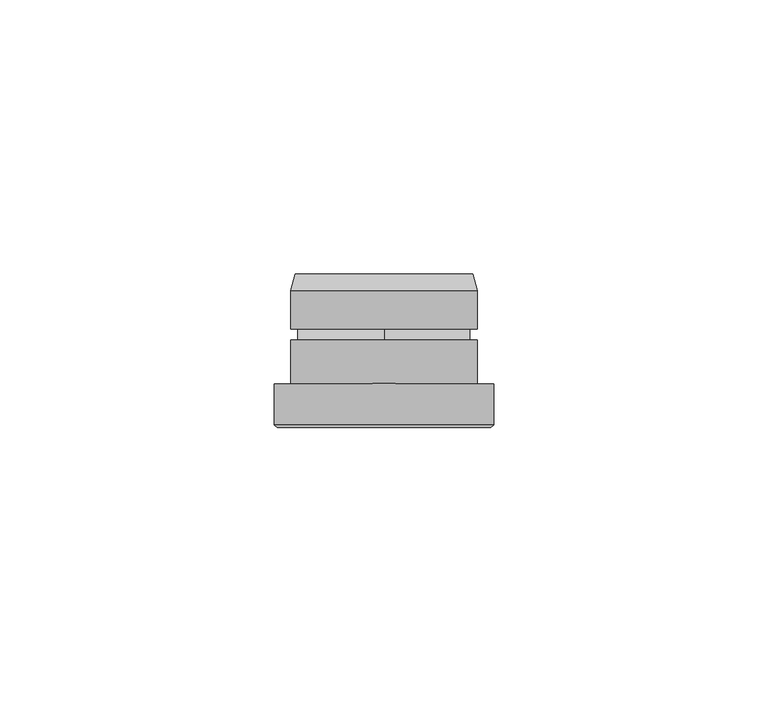
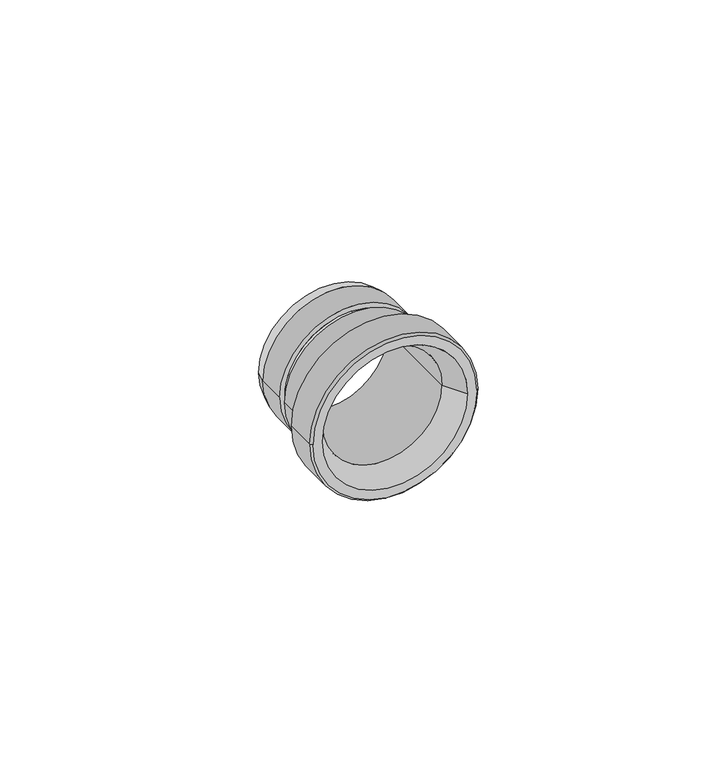
"""IFC4 building model written with IfcOpenShell, lengths in millimetres: proxy geometry."""

from ifc_helpers import new_model, si_unit, frame, origin, place, context, project, spatial, polyline, circle_curve, source, transform, mapped, element, save
from ifc_brep_helpers import plane_surface, cylinder_surface, revolved_surface, advanced_brep


def generic_models_14ba533e(model_context):
    return source(origin(), model_context, "Body", "AdvancedBrep", [
        advanced_brep(
        [(14.75, 28.0, 0.0), (14.25, 27.5, 0.0), (-14.25, 27.5, 0.0), (-14.75, 28.0, 0.0), (-20.0, 0.5, 0.0), (-20.0, 8.0, 0.0), (20.0, 8.0, 0.0), (20.0, 0.5, 0.0), (19.5, 0.0, 0.0), (-19.5, 0.0, 0.0), (-14.25, 5.1961524, 0.0), (14.25, 5.1961524, 0.0), (17.25, 0.0, 0.0), (-17.25, 0.0, 0.0), (-17.0, 8.0, 0.0), (-17.0, 16.0, 0.0), (17.0, 16.0, 0.0), (17.0, 8.0, 0.0), (17.0, 25.0, 0.0), (16.1961524, 28.0, 0.0), (-16.1961524, 28.0, 0.0), (-17.0, 25.0, 0.0), (-17.0, 18.0, 0.0), (17.0, 18.0, 0.0), (0.0, 16.0, 15.75), (0.0, 18.0, 15.75), (0.0, 18.0, -15.75), (0.0, 16.0, -15.75)],
        [
            (0, 1),
            (1, 2, circle_curve(frame((0.0, 27.5, 0.0), z_axis=(0.0, -1.0, 0.0), x_axis=(1.0, 0.0, 0.0)), 14.25)),
            (2, 3),
            (3, 0, circle_curve(frame((0.0, 28.0, 0.0), z_axis=(0.0, 1.0, 0.0), x_axis=(1.0, 0.0, 0.0)), 14.75)),
            (4, 5),
            (5, 6, circle_curve(frame((0.0, 8.0, 0.0), z_axis=(0.0, -1.0, 0.0), x_axis=(-1.0, 0.0, 0.0)), 20.0)),
            (6, 7),
            (7, 4, circle_curve(frame((0.0, 0.5, 0.0), z_axis=(0.0, 1.0, 0.0), x_axis=(-1.0, 0.0, 0.0)), 20.0)),
            (8, 7),
            (7, 4, circle_curve(frame((0.0, 0.5, 0.0), z_axis=(0.0, -1.0, 0.0), x_axis=(-1.0, 0.0, 0.0)), 20.0)),
            (4, 9),
            (9, 8, circle_curve(frame((0.0, 0.0, 0.0), z_axis=(0.0, 1.0, 0.0), x_axis=(-1.0, 0.0, 0.0)), 19.5)),
            (10, 2),
            (1, 11),
            (11, 10, circle_curve(frame((0.0, 5.1961524, 0.0), z_axis=(0.0, -1.0, 0.0), x_axis=(-1.0, 0.0, 0.0)), 14.25)),
            (11, 12),
            (12, 13, circle_curve(frame((0.0, 0.0, 0.0), z_axis=(0.0, -1.0, 0.0), x_axis=(1.0, 0.0, 0.0)), 17.25)),
            (13, 10),
            (14, 15),
            (15, 16, circle_curve(frame((0.0, 16.0, 0.0), z_axis=(0.0, -1.0, 0.0), x_axis=(-1.0, 0.0, 0.0)), 17.0)),
            (16, 17),
            (17, 14, circle_curve(frame((0.0, 8.0, 0.0), z_axis=(0.0, 1.0, 0.0), x_axis=(-1.0, 0.0, 0.0)), 17.0)),
            (18, 19),
            (19, 20, circle_curve(frame((0.0, 28.0, 0.0), z_axis=(0.0, -1.0, 0.0), x_axis=(-1.0, 0.0, 0.0)), 16.1961524)),
            (20, 21),
            (21, 18, circle_curve(frame((0.0, 25.0, 0.0), z_axis=(0.0, 1.0, 0.0), x_axis=(-1.0, 0.0, 0.0)), 17.0)),
            (22, 21),
            (21, 18, circle_curve(frame((0.0, 25.0, 0.0), z_axis=(0.0, -1.0, 0.0), x_axis=(-1.0, 0.0, 0.0)), 17.0)),
            (18, 23),
            (23, 22, circle_curve(frame((0.0, 18.0, 0.0), z_axis=(0.0, 1.0, 0.0), x_axis=(-1.0, 0.0, 0.0)), 17.0)),
            (24, 25),
            (25, 26, circle_curve(frame((0.0, 18.0, 0.0), z_axis=(0.0, -1.0, 0.0), x_axis=(0.0, 0.0, 1.0)), 15.75)),
            (26, 27),
            (27, 24, circle_curve(frame((0.0, 16.0, 0.0), z_axis=(0.0, 1.0, 0.0), x_axis=(0.0, 0.0, 1.0)), 15.75)),
            (15, 16, circle_curve(frame((0.0, 16.0, 0.0), z_axis=(0.0, 1.0, 0.0), x_axis=(-1.0, 0.0, 0.0)), 17.0)),
            (27, 24, circle_curve(frame((0.0, 16.0, 0.0), z_axis=(0.0, -1.0, 0.0), x_axis=(0.0, 0.0, 1.0)), 15.75)),
            (26, 25, circle_curve(frame((0.0, 18.0, 0.0), z_axis=(0.0, -1.0, 0.0), x_axis=(0.0, 0.0, 1.0)), 15.75)),
            (23, 22, circle_curve(frame((0.0, 18.0, 0.0), z_axis=(0.0, -1.0, 0.0), x_axis=(-1.0, 0.0, 0.0)), 17.0)),
            (20, 19, circle_curve(frame((0.0, 28.0, 0.0), z_axis=(0.0, -1.0, 0.0), x_axis=(1.0, 0.0, 0.0)), 16.1961524)),
            (3, 0, circle_curve(frame((0.0, 28.0, 0.0), z_axis=(0.0, -1.0, 0.0), x_axis=(-1.0, 0.0, 0.0)), 14.75)),
            (14, 17, circle_curve(frame((0.0, 8.0, 0.0), z_axis=(0.0, 1.0, 0.0), x_axis=(-1.0, 0.0, 0.0)), 17.0)),
            (11, 10, circle_curve(frame((0.0, 5.1961524, 0.0), z_axis=(0.0, 1.0, 0.0), x_axis=(-1.0, 0.0, 0.0)), 14.25)),
            (13, 12, circle_curve(frame((0.0, 0.0, 0.0), z_axis=(0.0, -1.0, 0.0), x_axis=(-1.0, 0.0, 0.0)), 17.25)),
            (9, 8, circle_curve(frame((0.0, 0.0, 0.0), z_axis=(0.0, -1.0, 0.0), x_axis=(1.0, 0.0, 0.0)), 19.5)),
            (1, 2, circle_curve(frame((0.0, 27.5, 0.0), z_axis=(0.0, 1.0, 0.0), x_axis=(-1.0, 0.0, 0.0)), 14.25)),
            (6, 5, circle_curve(frame((0.0, 8.0, 0.0), z_axis=(0.0, -1.0, 0.0), x_axis=(-1.0, 0.0, 0.0)), 20.0)),
        ],
        [
            revolved_surface(polyline([(14.75, 28.0, 0.0), (14.25, 27.5, 0.0)]), (0.0, 13.25, 0.0), (0.0, 1.0, 0.0)),
            cylinder_surface(frame((0.0, 4.0, 0.0), z_axis=(0.0, 1.0, 0.0), x_axis=(-1.0, 0.0, 0.0)), 20.0),
            revolved_surface(polyline([(19.5, 0.0, 0.0), (20.0, 0.5, 0.0)]), (0.0, -19.5, 0.0), (0.0, 1.0, 0.0)),
            revolved_surface(polyline([(-14.25, 27.5, 0.0), (-14.25, 5.196152399999999, 0.0)]), (0.0, 14.0, 0.0), (0.0, 1.0, 0.0)),
            revolved_surface(polyline([(17.25, 0.0, 0.0), (14.250000010040875, 5.196152399999999, 0.0)]), (0.0, 29.8778764, 0.0), (0.0, -1.0, 0.0)),
            cylinder_surface(frame((0.0, 18.0, 0.0), z_axis=(0.0, 1.0, 0.0), x_axis=(-1.0, 0.0, 0.0)), 17.0),
            revolved_surface(polyline([(16.19615242234337, 28.0, 0.0), (17.0, 25.0, 0.0)]), (0.0, 88.4448637, 0.0), (0.0, -1.0, 0.0)),
            cylinder_surface(frame((0.0, 17.0, 0.0), z_axis=(0.0, -1.0, 0.0), x_axis=(0.0, 0.0, 1.0)), 15.75),
            plane_surface(frame((0.0, 16.0, 17.25), z_axis=(0.0, 1.0, 0.0), x_axis=(0.0, 0.0, -1.0))),
            plane_surface(frame((0.0, 18.0, 17.25), z_axis=(0.0, -1.0, 0.0), x_axis=(0.0, 0.0, 1.0))),
            plane_surface(frame((-15.625, 28.0, 0.0), z_axis=(0.0, 1.0, 0.0), x_axis=(0.0, 0.0, 1.0))),
            plane_surface(frame((-17.125, 0.0, 0.0), z_axis=(0.0, -1.0, 0.0), x_axis=(0.0, 0.0, -1.0))),
            plane_surface(frame((-18.5, 8.0, 0.0), z_axis=(0.0, 1.0, 0.0), x_axis=(0.0, 0.0, 1.0))),
        ],
        [
            (0, [[1, 2, 3, 4]]),
            (1, [[5, 6, 7, 8]]),
            (2, [[9, 10, 11, 12]]),
            (3, [[13, -2, 14, 15]]),
            (4, [[16, 17, 18, -15]]),
            (5, [[19, 20, 21, 22]]),
            (6, [[23, 24, 25, 26]]),
            (5, [[27, 28, 29, 30]]),
            (7, [[31, 32, 33, 34]]),
            (8, [[35, -20], [-34, 36]]),
            (7, [[-31, -36, -33, 37]]),
            (9, [[-30, 38], [-32, -37]]),
            (5, [[-27, -38, -29, -26]]),
            (6, [[-23, -28, -25, 39]]),
            (10, [[-39, -24], [-4, 40]]),
            (5, [[-19, 41, -21, -35]]),
            (4, [[-16, 42, -18, 43]]),
            (11, [[-12, 44], [-43, -17]]),
            (3, [[-13, -42, -14, 45]]),
            (2, [[-9, -44, -11, -8]]),
            (1, [[-5, -10, -7, 46]]),
            (0, [[-1, -40, -3, -45]]),
            (12, [[-46, -6], [-41, -22]]),
        ],
    ),
    ])


if __name__ == "__main__":
    model = new_model("IFC4")
    model_context = context("Model", 3, world=origin())
    ifc_project = project(units=[si_unit("LENGTHUNIT", "METRE", prefix="MILLI")], contexts=[model_context])
    site = spatial("IfcSite", under=ifc_project)
    building = spatial("IfcBuilding", under=site)
    placement = place(None, origin())
    generic_models_shape = generic_models_14ba533e(model_context)
    element("IfcBuildingElementProxy", 1, Name="Generic Models", at=placement, inside=building, context=model_context, shape_type="MappedRepresentation", body=[
        mapped(generic_models_shape, transform((0.0, 0.0, 0.0), x_axis=(1.0, 0.0, 0.0), y_axis=(0.0, 1.0, 0.0), z_axis=(0.0, 0.0, 1.0))),
    ])
    save(model, "model.ifc")
